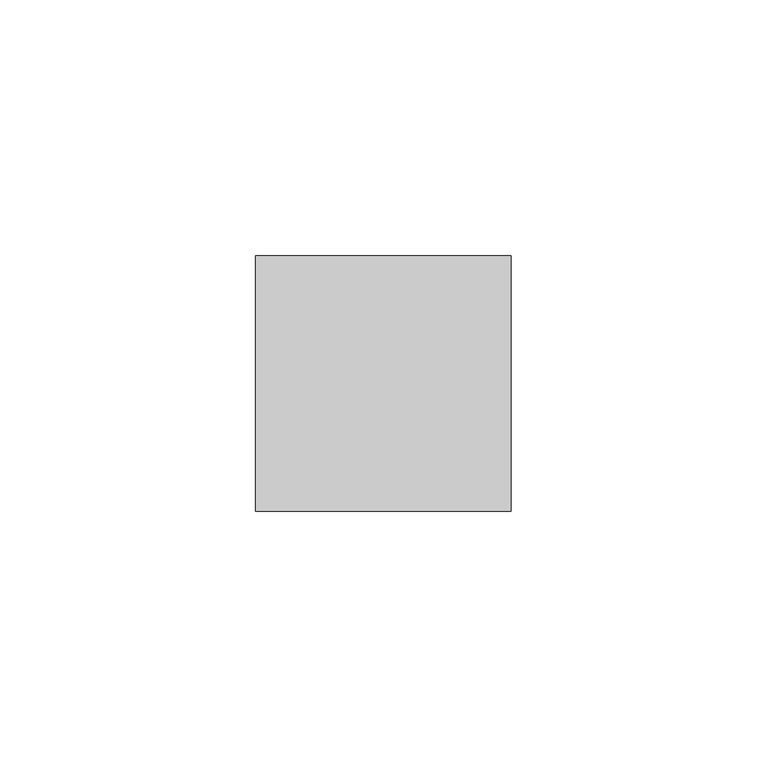
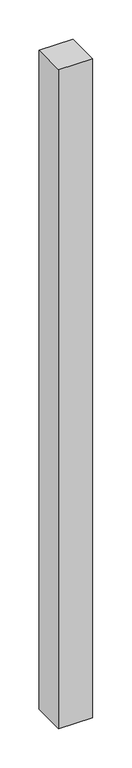
"""IFC4 building model written with IfcOpenShell, lengths in millimetres: member geometry."""

from ifc_helpers import new_model, si_unit, frame, origin, place, context, project, spatial, polyline, outline, extrude, source, transform, mapped, element, save


def member_0b34539e(model_context):
    return source(origin(), model_context, "Body", "SweptSolid", [
        extrude(outline(polyline([(25.0, 25.0), (25.0, -25.0), (-25.0, -25.0), (-25.0, 25.0), (25.0, 25.0)])), frame((0.0, 0.0, -1025.0), z_axis=(0.0, 0.0, 1.0), x_axis=(1.0, 0.0, 0.0)), (0.0, 0.0, 1.0), 1025.0),
    ])


if __name__ == "__main__":
    model = new_model("IFC4")
    model_context = context("Model", 3, world=origin())
    ifc_project = project(units=[si_unit("LENGTHUNIT", "METRE", prefix="MILLI")], contexts=[model_context])
    site = spatial("IfcSite", under=ifc_project)
    building = spatial("IfcBuilding", under=site)
    placement = place(None, origin())
    member_shape = member_0b34539e(model_context)
    element("IfcMember", 1, at=placement, inside=building, context=model_context, shape_type="MappedRepresentation", body=[
        mapped(member_shape, transform((0.0, 0.0, 0.0), x_axis=(1.0, 0.0, 0.0), y_axis=(0.0, 1.0, 0.0), z_axis=(0.0, 0.0, 1.0))),
    ])
    save(model, "model.ifc")
